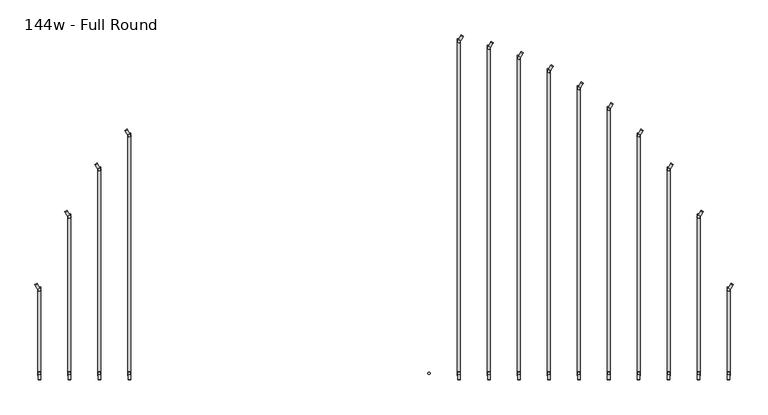
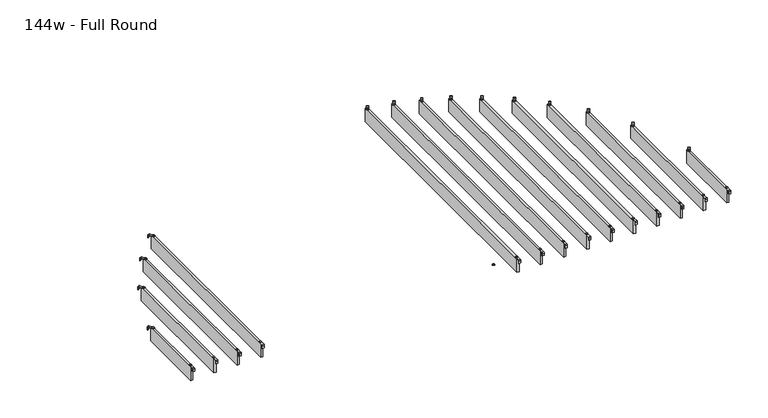
"""IFC4 building model written with IfcOpenShell, lengths in millimetres: furniture geometry, 144w - Full Round."""

from ifc_helpers import new_model, si_unit, point, frame, frame_2d, origin, place, context, project, spatial, polyline, circle_curve, trimmed, segment, composite_curve, outline, extrude, source, transform, mapped, element, save


def furniture_144w_full_round_0b8315b5(model_context):
    return source(origin(), model_context, "Body", "SweptSolid", [
        extrude(outline(composite_curve([segment(trimmed(circle_curve(frame_2d((-1.0160034, 0.0159996)), 1.016), [point((-1.0160034, -1.0000004))], [point((-3.4e-06, 0.0159996))], True, "CARTESIAN"), True, "CONTINUOUS"), segment(polyline([(-3.4e-06, 0.0159996), (-3.4e-06, 36.7785168), (2.5329992, 36.7785168), (2.5329992, 0.022999)]), True, "CONTINUOUS"), segment(trimmed(circle_curve(frame_2d((-1.1500008, 0.022999)), 3.683), [point((2.5329992, 0.022999))], [point((-1.1500008, -3.660001))], False, "CARTESIAN"), True, "CONTINUOUS"), segment(polyline([(-1.1500008, -3.660001), (-19.0498319, -3.660001), (-19.0498319, -1.0000004), (-1.0160034, -1.0000004)]), True, "CONTINUOUS")], self_intersect=False)), frame((-1735.3791648, -1770.5936262, 2438.4), z_axis=(0.8660254037843622, 0.5000000000001326, 0.0), x_axis=(0.0, 0.0, 1.0)), (0.0, 0.0, 1.0), 13.0000002),
        extrude(outline(composite_curve([segment(trimmed(circle_curve(frame_2d((-1714.5, -2218.9346)), 5.9838099), [point((-1714.5, -2212.9507901))], [point((-1714.5, -2224.9184099))], False, "CARTESIAN"), True, "CONTINUOUS"), segment(trimmed(circle_curve(frame_2d((-1714.5, -2218.9346)), 5.9838099), [point((-1714.5, -2224.9184099))], [point((-1714.5, -2212.9507901))], False, "CARTESIAN"), True, "CONTINUOUS")], self_intersect=False)), frame((0.0, 0.0, 2440.9329992), z_axis=(0.0, 0.0, 1.0), x_axis=(1.0, 0.0, 0.0)), (0.0, 0.0, 1.0), 3.4400008),
        extrude(outline(composite_curve([segment(trimmed(circle_curve(frame_2d((-1714.5, -1793.7574)), 5.9838099), [point((-1714.5, -1799.7412099))], [point((-1714.5, -1787.7735901))], False, "CARTESIAN"), True, "CONTINUOUS"), segment(trimmed(circle_curve(frame_2d((-1714.5, -1793.7574)), 5.9838099), [point((-1714.5, -1787.7735901))], [point((-1714.5, -1799.7412099))], False, "CARTESIAN"), True, "CONTINUOUS")], self_intersect=False)), frame((0.0, 0.0, 2440.9329992), z_axis=(0.0, 0.0, 1.0), x_axis=(1.0, 0.0, 0.0)), (0.0, 0.0, 1.0), 3.4400008),
        extrude(outline(composite_curve([segment(polyline([(-2253.0946, 2419.2231711), (-2253.0946, 2437.2499992)]), True, "CONTINUOUS"), segment(trimmed(circle_curve(frame_2d((-2249.4116, 2437.2499992)), 3.683), [point((-2253.0946, 2437.2499992))], [point((-2249.4116, 2440.9329992))], False, "CARTESIAN"), True, "CONTINUOUS"), segment(polyline([(-2249.4116, 2440.9329992), (-2212.4346, 2440.9329992), (-2212.4346, 2438.2729997), (-2249.4251568, 2438.2729997)]), True, "CONTINUOUS"), segment(trimmed(circle_curve(frame_2d((-2249.4251568, 2437.2635571)), 1.0094425), [point((-2249.4251568, 2438.2729997))], [point((-2250.4345993, 2437.2635571))], True, "CARTESIAN"), True, "CONTINUOUS"), segment(polyline([(-2250.4345993, 2437.2635571), (-2250.4345993, 2419.2231711), (-2253.0946, 2419.2231711)]), True, "CONTINUOUS")], self_intersect=False)), frame((-1720.9930003, 0.0, 0.0), z_axis=(1.0, 0.0, 0.0), x_axis=(0.0, 1.0, 0.0)), (0.0, 0.0, 1.0), 13.0),
        extrude(outline(polyline([(-1721.993, -1780.0574), (-1707.007, -1780.0574), (-1707.007, -2232.6346), (-1721.993, -2232.6346), (-1721.993, -1780.0574)])), frame((0.0, 0.0, 2346.198), z_axis=(0.0, 0.0, 1.0), x_axis=(1.0, 0.0, 0.0)), (0.0, 0.0, 1.0), 92.202),
        extrude(outline(composite_curve([segment(trimmed(circle_curve(frame_2d((-1.0160034, 0.0159996)), 1.016), [point((-1.0160034, -1.0000004))], [point((-3.4e-06, 0.0159996))], True, "CARTESIAN"), True, "CONTINUOUS"), segment(polyline([(-3.4e-06, 0.0159996), (-3.4e-06, 36.7785168), (2.5329992, 36.7785168), (2.5329992, 0.022999)]), True, "CONTINUOUS"), segment(trimmed(circle_curve(frame_2d((-1.1500008, 0.022999)), 3.683), [point((2.5329992, 0.022999))], [point((-1.1500008, -3.660001))], False, "CARTESIAN"), True, "CONTINUOUS"), segment(polyline([(-1.1500008, -3.660001), (-19.0498319, -3.660001), (-19.0498319, -1.0000004), (-1.0160034, -1.0000004)]), True, "CONTINUOUS")], self_intersect=False)), frame((-1582.9791648, -1399.1186262, 2438.4), z_axis=(0.8660254037843622, 0.5000000000001326, 0.0), x_axis=(0.0, 0.0, 1.0)), (0.0, 0.0, 1.0), 13.0000002),
        extrude(outline(composite_curve([segment(trimmed(circle_curve(frame_2d((-1562.1, -2218.9346)), 5.9838099), [point((-1562.1, -2212.9507901))], [point((-1562.1, -2224.9184099))], False, "CARTESIAN"), True, "CONTINUOUS"), segment(trimmed(circle_curve(frame_2d((-1562.1, -2218.9346)), 5.9838099), [point((-1562.1, -2224.9184099))], [point((-1562.1, -2212.9507901))], False, "CARTESIAN"), True, "CONTINUOUS")], self_intersect=False)), frame((0.0, 0.0, 2440.9329992), z_axis=(0.0, 0.0, 1.0), x_axis=(1.0, 0.0, 0.0)), (0.0, 0.0, 1.0), 3.4400008),
        extrude(outline(composite_curve([segment(trimmed(circle_curve(frame_2d((-1562.1, -1422.2824)), 5.9838099), [point((-1562.1, -1428.2662099))], [point((-1562.1, -1416.2985901))], False, "CARTESIAN"), True, "CONTINUOUS"), segment(trimmed(circle_curve(frame_2d((-1562.1, -1422.2824)), 5.9838099), [point((-1562.1, -1416.2985901))], [point((-1562.1, -1428.2662099))], False, "CARTESIAN"), True, "CONTINUOUS")], self_intersect=False)), frame((0.0, 0.0, 2440.9329992), z_axis=(0.0, 0.0, 1.0), x_axis=(1.0, 0.0, 0.0)), (0.0, 0.0, 1.0), 3.4400008),
        extrude(outline(composite_curve([segment(polyline([(-2253.0946, 2419.2231711), (-2253.0946, 2437.2499992)]), True, "CONTINUOUS"), segment(trimmed(circle_curve(frame_2d((-2249.4116, 2437.2499992)), 3.683), [point((-2253.0946, 2437.2499992))], [point((-2249.4116, 2440.9329992))], False, "CARTESIAN"), True, "CONTINUOUS"), segment(polyline([(-2249.4116, 2440.9329992), (-2212.4346, 2440.9329992), (-2212.4346, 2438.2729997), (-2249.4251568, 2438.2729997)]), True, "CONTINUOUS"), segment(trimmed(circle_curve(frame_2d((-2249.4251568, 2437.2635571)), 1.0094425), [point((-2249.4251568, 2438.2729997))], [point((-2250.4345993, 2437.2635571))], True, "CARTESIAN"), True, "CONTINUOUS"), segment(polyline([(-2250.4345993, 2437.2635571), (-2250.4345993, 2419.2231711), (-2253.0946, 2419.2231711)]), True, "CONTINUOUS")], self_intersect=False)), frame((-1568.5930003, 0.0, 0.0), z_axis=(1.0, 0.0, 0.0), x_axis=(0.0, 1.0, 0.0)), (0.0, 0.0, 1.0), 13.0),
        extrude(outline(polyline([(-1569.593, -1408.5824), (-1554.607, -1408.5824), (-1554.607, -2232.6346), (-1569.593, -2232.6346), (-1569.593, -1408.5824)])), frame((0.0, 0.0, 2346.198), z_axis=(0.0, 0.0, 1.0), x_axis=(1.0, 0.0, 0.0)), (0.0, 0.0, 1.0), 92.202),
        extrude(outline(composite_curve([segment(trimmed(circle_curve(frame_2d((-1.0160034, 0.0159996)), 1.016), [point((-1.0160034, -1.0000004))], [point((-3.4e-06, 0.0159996))], True, "CARTESIAN"), True, "CONTINUOUS"), segment(polyline([(-3.4e-06, 0.0159996), (-3.4e-06, 36.7785168), (2.5329992, 36.7785168), (2.5329992, 0.022999)]), True, "CONTINUOUS"), segment(trimmed(circle_curve(frame_2d((-1.1500008, 0.022999)), 3.683), [point((2.5329992, 0.022999))], [point((-1.1500008, -3.660001))], False, "CARTESIAN"), True, "CONTINUOUS"), segment(polyline([(-1.1500008, -3.660001), (-19.0498319, -3.660001), (-19.0498319, -1.0000004), (-1.0160034, -1.0000004)]), True, "CONTINUOUS")], self_intersect=False)), frame((-1430.5791648, -1158.6314262, 2438.4), z_axis=(0.8660254037843622, 0.5000000000001326, 0.0), x_axis=(0.0, 0.0, 1.0)), (0.0, 0.0, 1.0), 13.0000002),
        extrude(outline(composite_curve([segment(trimmed(circle_curve(frame_2d((-1409.7, -2218.9346)), 5.9838099), [point((-1409.7, -2212.9507901))], [point((-1409.7, -2224.9184099))], False, "CARTESIAN"), True, "CONTINUOUS"), segment(trimmed(circle_curve(frame_2d((-1409.7, -2218.9346)), 5.9838099), [point((-1409.7, -2224.9184099))], [point((-1409.7, -2212.9507901))], False, "CARTESIAN"), True, "CONTINUOUS")], self_intersect=False)), frame((0.0, 0.0, 2440.9329992), z_axis=(0.0, 0.0, 1.0), x_axis=(1.0, 0.0, 0.0)), (0.0, 0.0, 1.0), 3.4400008),
        extrude(outline(composite_curve([segment(trimmed(circle_curve(frame_2d((-1409.7, -1181.7952)), 5.9838099), [point((-1409.7, -1187.7790099))], [point((-1409.7, -1175.8113901))], False, "CARTESIAN"), True, "CONTINUOUS"), segment(trimmed(circle_curve(frame_2d((-1409.7, -1181.7952)), 5.9838099), [point((-1409.7, -1175.8113901))], [point((-1409.7, -1187.7790099))], False, "CARTESIAN"), True, "CONTINUOUS")], self_intersect=False)), frame((0.0, 0.0, 2440.9329992), z_axis=(0.0, 0.0, 1.0), x_axis=(1.0, 0.0, 0.0)), (0.0, 0.0, 1.0), 3.4400008),
        extrude(outline(composite_curve([segment(polyline([(-2253.0946, 2419.2231711), (-2253.0946, 2437.2499992)]), True, "CONTINUOUS"), segment(trimmed(circle_curve(frame_2d((-2249.4116, 2437.2499992)), 3.683), [point((-2253.0946, 2437.2499992))], [point((-2249.4116, 2440.9329992))], False, "CARTESIAN"), True, "CONTINUOUS"), segment(polyline([(-2249.4116, 2440.9329992), (-2212.4346, 2440.9329992), (-2212.4346, 2438.2729997), (-2249.4251568, 2438.2729997)]), True, "CONTINUOUS"), segment(trimmed(circle_curve(frame_2d((-2249.4251568, 2437.2635571)), 1.0094425), [point((-2249.4251568, 2438.2729997))], [point((-2250.4345993, 2437.2635571))], True, "CARTESIAN"), True, "CONTINUOUS"), segment(polyline([(-2250.4345993, 2437.2635571), (-2250.4345993, 2419.2231711), (-2253.0946, 2419.2231711)]), True, "CONTINUOUS")], self_intersect=False)), frame((-1416.1930003, 0.0, 0.0), z_axis=(1.0, 0.0, 0.0), x_axis=(0.0, 1.0, 0.0)), (0.0, 0.0, 1.0), 13.0),
        extrude(outline(polyline([(-1417.193, -1168.0952), (-1402.207, -1168.0952), (-1402.207, -2232.6346), (-1417.193, -2232.6346), (-1417.193, -1168.0952)])), frame((0.0, 0.0, 2346.198), z_axis=(0.0, 0.0, 1.0), x_axis=(1.0, 0.0, 0.0)), (0.0, 0.0, 1.0), 92.202),
        extrude(outline(composite_curve([segment(trimmed(circle_curve(frame_2d((-1.0160034, 0.0159996)), 1.016), [point((-1.0160034, -1.0000004))], [point((-3.4e-06, 0.0159996))], True, "CARTESIAN"), True, "CONTINUOUS"), segment(polyline([(-3.4e-06, 0.0159996), (-3.4e-06, 36.7785168), (2.5329992, 36.7785168), (2.5329992, 0.022999)]), True, "CONTINUOUS"), segment(trimmed(circle_curve(frame_2d((-1.1500008, 0.022999)), 3.683), [point((2.5329992, 0.022999))], [point((-1.1500008, -3.660001))], False, "CARTESIAN"), True, "CONTINUOUS"), segment(polyline([(-1.1500008, -3.660001), (-19.0498319, -3.660001), (-19.0498319, -1.0000004), (-1.0160034, -1.0000004)]), True, "CONTINUOUS")], self_intersect=False)), frame((-1278.1791648, -985.3272262, 2438.4), z_axis=(0.8660254037843622, 0.5000000000001326, 0.0), x_axis=(0.0, 0.0, 1.0)), (0.0, 0.0, 1.0), 13.0000002),
        extrude(outline(composite_curve([segment(trimmed(circle_curve(frame_2d((-1257.3, -2218.9346)), 5.9838099), [point((-1257.3, -2212.9507901))], [point((-1257.3, -2224.9184099))], False, "CARTESIAN"), True, "CONTINUOUS"), segment(trimmed(circle_curve(frame_2d((-1257.3, -2218.9346)), 5.9838099), [point((-1257.3, -2224.9184099))], [point((-1257.3, -2212.9507901))], False, "CARTESIAN"), True, "CONTINUOUS")], self_intersect=False)), frame((0.0, 0.0, 2440.9329992), z_axis=(0.0, 0.0, 1.0), x_axis=(1.0, 0.0, 0.0)), (0.0, 0.0, 1.0), 3.4400008),
        extrude(outline(composite_curve([segment(trimmed(circle_curve(frame_2d((-1257.3, -1008.491)), 5.9838099), [point((-1257.3, -1014.4748099))], [point((-1257.3, -1002.5071901))], False, "CARTESIAN"), True, "CONTINUOUS"), segment(trimmed(circle_curve(frame_2d((-1257.3, -1008.491)), 5.9838099), [point((-1257.3, -1002.5071901))], [point((-1257.3, -1014.4748099))], False, "CARTESIAN"), True, "CONTINUOUS")], self_intersect=False)), frame((0.0, 0.0, 2440.9329992), z_axis=(0.0, 0.0, 1.0), x_axis=(1.0, 0.0, 0.0)), (0.0, 0.0, 1.0), 3.4400008),
        extrude(outline(composite_curve([segment(polyline([(-2253.0946, 2419.2231711), (-2253.0946, 2437.2499992)]), True, "CONTINUOUS"), segment(trimmed(circle_curve(frame_2d((-2249.4116, 2437.2499992)), 3.683), [point((-2253.0946, 2437.2499992))], [point((-2249.4116, 2440.9329992))], False, "CARTESIAN"), True, "CONTINUOUS"), segment(polyline([(-2249.4116, 2440.9329992), (-2212.4346, 2440.9329992), (-2212.4346, 2438.2729997), (-2249.4251568, 2438.2729997)]), True, "CONTINUOUS"), segment(trimmed(circle_curve(frame_2d((-2249.4251568, 2437.2635571)), 1.0094425), [point((-2249.4251568, 2438.2729997))], [point((-2250.4345993, 2437.2635571))], True, "CARTESIAN"), True, "CONTINUOUS"), segment(polyline([(-2250.4345993, 2437.2635571), (-2250.4345993, 2419.2231711), (-2253.0946, 2419.2231711)]), True, "CONTINUOUS")], self_intersect=False)), frame((-1263.7930003, 0.0, 0.0), z_axis=(1.0, 0.0, 0.0), x_axis=(0.0, 1.0, 0.0)), (0.0, 0.0, 1.0), 13.0),
        extrude(outline(polyline([(-1264.793, -994.791), (-1249.807, -994.791), (-1249.807, -2232.6346), (-1264.793, -2232.6346), (-1264.793, -994.791)])), frame((0.0, 0.0, 2346.198), z_axis=(0.0, 0.0, 1.0), x_axis=(1.0, 0.0, 0.0)), (0.0, 0.0, 1.0), 92.202),
        extrude(outline(composite_curve([segment(polyline([(-1.0160034, 1.0000004), (-19.0498319, 1.0000004), (-19.0498319, 3.660001), (-1.1500008, 3.660001)]), True, "CONTINUOUS"), segment(trimmed(circle_curve(frame_2d((-1.1500008, -0.022999)), 3.683), [point((-1.1500008, 3.660001))], [point((2.5329992, -0.022999))], False, "CARTESIAN"), True, "CONTINUOUS"), segment(polyline([(2.5329992, -0.022999), (2.5329992, -36.7785168), (-3.4e-06, -36.7785168), (-3.4e-06, -0.0159996)]), True, "CONTINUOUS"), segment(trimmed(circle_curve(frame_2d((-1.0160034, -0.0159996)), 1.016), [point((-3.4e-06, -0.0159996))], [point((-1.0160034, 1.0000004))], True, "CARTESIAN"), True, "CONTINUOUS")], self_intersect=False)), frame((1811.5791648, -1770.5936262, 2438.4), z_axis=(-0.8660254037843622, 0.5000000000001326, 0.0), x_axis=(0.0, 0.0, 1.0)), (0.0, 0.0, 1.0), 13.0000002),
        extrude(outline(composite_curve([segment(trimmed(circle_curve(frame_2d((1790.7, -2218.9346)), 5.9838099), [point((1790.7, -2212.9507901))], [point((1790.7, -2224.9184099))], False, "CARTESIAN"), True, "CONTINUOUS"), segment(trimmed(circle_curve(frame_2d((1790.7, -2218.9346)), 5.9838099), [point((1790.7, -2224.9184099))], [point((1790.7, -2212.9507901))], False, "CARTESIAN"), True, "CONTINUOUS")], self_intersect=False)), frame((0.0, 0.0, 2440.9329992), z_axis=(0.0, 0.0, 1.0), x_axis=(1.0, 0.0, 0.0)), (0.0, 0.0, 1.0), 3.4400008),
        extrude(outline(composite_curve([segment(trimmed(circle_curve(frame_2d((1790.7, -1793.7574)), 5.9838099), [point((1790.7, -1799.7412099))], [point((1790.7, -1787.7735901))], False, "CARTESIAN"), True, "CONTINUOUS"), segment(trimmed(circle_curve(frame_2d((1790.7, -1793.7574)), 5.9838099), [point((1790.7, -1787.7735901))], [point((1790.7, -1799.7412099))], False, "CARTESIAN"), True, "CONTINUOUS")], self_intersect=False)), frame((0.0, 0.0, 2440.9329992), z_axis=(0.0, 0.0, 1.0), x_axis=(1.0, 0.0, 0.0)), (0.0, 0.0, 1.0), 3.4400008),
        extrude(outline(composite_curve([segment(polyline([(-2253.0946, 2419.2231711), (-2253.0946, 2437.2499992)]), True, "CONTINUOUS"), segment(trimmed(circle_curve(frame_2d((-2249.4116, 2437.2499992)), 3.683), [point((-2253.0946, 2437.2499992))], [point((-2249.4116, 2440.9329992))], False, "CARTESIAN"), True, "CONTINUOUS"), segment(polyline([(-2249.4116, 2440.9329992), (-2212.4346, 2440.9329992), (-2212.4346, 2438.2729997), (-2249.4251568, 2438.2729997)]), True, "CONTINUOUS"), segment(trimmed(circle_curve(frame_2d((-2249.4251568, 2437.2635571)), 1.0094425), [point((-2249.4251568, 2438.2729997))], [point((-2250.4345993, 2437.2635571))], True, "CARTESIAN"), True, "CONTINUOUS"), segment(polyline([(-2250.4345993, 2437.2635571), (-2250.4345993, 2419.2231711), (-2253.0946, 2419.2231711)]), True, "CONTINUOUS")], self_intersect=False)), frame((1784.1930003, 0.0, 0.0), z_axis=(1.0, 0.0, 0.0), x_axis=(0.0, 1.0, 0.0)), (0.0, 0.0, 1.0), 13.0),
        extrude(outline(polyline([(1798.193, -1780.0574), (1798.193, -2232.6346), (1783.207, -2232.6346), (1783.207, -1780.0574), (1798.193, -1780.0574)])), frame((0.0, 0.0, 2346.198), z_axis=(0.0, 0.0, 1.0), x_axis=(1.0, 0.0, 0.0)), (0.0, 0.0, 1.0), 92.202),
        extrude(outline(composite_curve([segment(polyline([(-1.0160034, 1.0000004), (-19.0498319, 1.0000004), (-19.0498319, 3.660001), (-1.1500008, 3.660001)]), True, "CONTINUOUS"), segment(trimmed(circle_curve(frame_2d((-1.1500008, -0.022999)), 3.683), [point((-1.1500008, 3.660001))], [point((2.5329992, -0.022999))], False, "CARTESIAN"), True, "CONTINUOUS"), segment(polyline([(2.5329992, -0.022999), (2.5329992, -36.7785168), (-3.4e-06, -36.7785168), (-3.4e-06, -0.0159996)]), True, "CONTINUOUS"), segment(trimmed(circle_curve(frame_2d((-1.0160034, -0.0159996)), 1.016), [point((-3.4e-06, -0.0159996))], [point((-1.0160034, 1.0000004))], True, "CARTESIAN"), True, "CONTINUOUS")], self_intersect=False)), frame((1659.1791648, -1399.1186262, 2438.4), z_axis=(-0.8660254037843622, 0.5000000000001326, 0.0), x_axis=(0.0, 0.0, 1.0)), (0.0, 0.0, 1.0), 13.0000002),
        extrude(outline(composite_curve([segment(trimmed(circle_curve(frame_2d((1638.3, -2218.9346)), 5.9838099), [point((1638.3, -2212.9507901))], [point((1638.3, -2224.9184099))], False, "CARTESIAN"), True, "CONTINUOUS"), segment(trimmed(circle_curve(frame_2d((1638.3, -2218.9346)), 5.9838099), [point((1638.3, -2224.9184099))], [point((1638.3, -2212.9507901))], False, "CARTESIAN"), True, "CONTINUOUS")], self_intersect=False)), frame((0.0, 0.0, 2440.9329992), z_axis=(0.0, 0.0, 1.0), x_axis=(1.0, 0.0, 0.0)), (0.0, 0.0, 1.0), 3.4400008),
        extrude(outline(composite_curve([segment(trimmed(circle_curve(frame_2d((1638.3, -1422.2824)), 5.9838099), [point((1638.3, -1428.2662099))], [point((1638.3, -1416.2985901))], False, "CARTESIAN"), True, "CONTINUOUS"), segment(trimmed(circle_curve(frame_2d((1638.3, -1422.2824)), 5.9838099), [point((1638.3, -1416.2985901))], [point((1638.3, -1428.2662099))], False, "CARTESIAN"), True, "CONTINUOUS")], self_intersect=False)), frame((0.0, 0.0, 2440.9329992), z_axis=(0.0, 0.0, 1.0), x_axis=(1.0, 0.0, 0.0)), (0.0, 0.0, 1.0), 3.4400008),
        extrude(outline(composite_curve([segment(polyline([(-2253.0946, 2419.2231711), (-2253.0946, 2437.2499992)]), True, "CONTINUOUS"), segment(trimmed(circle_curve(frame_2d((-2249.4116, 2437.2499992)), 3.683), [point((-2253.0946, 2437.2499992))], [point((-2249.4116, 2440.9329992))], False, "CARTESIAN"), True, "CONTINUOUS"), segment(polyline([(-2249.4116, 2440.9329992), (-2212.4346, 2440.9329992), (-2212.4346, 2438.2729997), (-2249.4251568, 2438.2729997)]), True, "CONTINUOUS"), segment(trimmed(circle_curve(frame_2d((-2249.4251568, 2437.2635571)), 1.0094425), [point((-2249.4251568, 2438.2729997))], [point((-2250.4345993, 2437.2635571))], True, "CARTESIAN"), True, "CONTINUOUS"), segment(polyline([(-2250.4345993, 2437.2635571), (-2250.4345993, 2419.2231711), (-2253.0946, 2419.2231711)]), True, "CONTINUOUS")], self_intersect=False)), frame((1631.7930003, 0.0, 0.0), z_axis=(1.0, 0.0, 0.0), x_axis=(0.0, 1.0, 0.0)), (0.0, 0.0, 1.0), 13.0),
        extrude(outline(polyline([(1645.793, -1408.5824), (1645.793, -2232.6346), (1630.807, -2232.6346), (1630.807, -1408.5824), (1645.793, -1408.5824)])), frame((0.0, 0.0, 2346.198), z_axis=(0.0, 0.0, 1.0), x_axis=(1.0, 0.0, 0.0)), (0.0, 0.0, 1.0), 92.202),
        extrude(outline(composite_curve([segment(polyline([(-1.0160034, 1.0000004), (-19.0498319, 1.0000004), (-19.0498319, 3.660001), (-1.1500008, 3.660001)]), True, "CONTINUOUS"), segment(trimmed(circle_curve(frame_2d((-1.1500008, -0.022999)), 3.683), [point((-1.1500008, 3.660001))], [point((2.5329992, -0.022999))], False, "CARTESIAN"), True, "CONTINUOUS"), segment(polyline([(2.5329992, -0.022999), (2.5329992, -36.7785168), (-3.4e-06, -36.7785168), (-3.4e-06, -0.0159996)]), True, "CONTINUOUS"), segment(trimmed(circle_curve(frame_2d((-1.0160034, -0.0159996)), 1.016), [point((-3.4e-06, -0.0159996))], [point((-1.0160034, 1.0000004))], True, "CARTESIAN"), True, "CONTINUOUS")], self_intersect=False)), frame((1506.7791648, -1158.6314262, 2438.4), z_axis=(-0.8660254037843622, 0.5000000000001326, 0.0), x_axis=(0.0, 0.0, 1.0)), (0.0, 0.0, 1.0), 13.0000002),
        extrude(outline(composite_curve([segment(trimmed(circle_curve(frame_2d((1485.9, -2218.9346)), 5.9838099), [point((1485.9, -2212.9507901))], [point((1485.9, -2224.9184099))], False, "CARTESIAN"), True, "CONTINUOUS"), segment(trimmed(circle_curve(frame_2d((1485.9, -2218.9346)), 5.9838099), [point((1485.9, -2224.9184099))], [point((1485.9, -2212.9507901))], False, "CARTESIAN"), True, "CONTINUOUS")], self_intersect=False)), frame((0.0, 0.0, 2440.9329992), z_axis=(0.0, 0.0, 1.0), x_axis=(1.0, 0.0, 0.0)), (0.0, 0.0, 1.0), 3.4400008),
        extrude(outline(composite_curve([segment(trimmed(circle_curve(frame_2d((1485.9, -1181.7952)), 5.9838099), [point((1485.9, -1187.7790099))], [point((1485.9, -1175.8113901))], False, "CARTESIAN"), True, "CONTINUOUS"), segment(trimmed(circle_curve(frame_2d((1485.9, -1181.7952)), 5.9838099), [point((1485.9, -1175.8113901))], [point((1485.9, -1187.7790099))], False, "CARTESIAN"), True, "CONTINUOUS")], self_intersect=False)), frame((0.0, 0.0, 2440.9329992), z_axis=(0.0, 0.0, 1.0), x_axis=(1.0, 0.0, 0.0)), (0.0, 0.0, 1.0), 3.4400008),
        extrude(outline(composite_curve([segment(polyline([(-2253.0946, 2419.2231711), (-2253.0946, 2437.2499992)]), True, "CONTINUOUS"), segment(trimmed(circle_curve(frame_2d((-2249.4116, 2437.2499992)), 3.683), [point((-2253.0946, 2437.2499992))], [point((-2249.4116, 2440.9329992))], False, "CARTESIAN"), True, "CONTINUOUS"), segment(polyline([(-2249.4116, 2440.9329992), (-2212.4346, 2440.9329992), (-2212.4346, 2438.2729997), (-2249.4251568, 2438.2729997)]), True, "CONTINUOUS"), segment(trimmed(circle_curve(frame_2d((-2249.4251568, 2437.2635571)), 1.0094425), [point((-2249.4251568, 2438.2729997))], [point((-2250.4345993, 2437.2635571))], True, "CARTESIAN"), True, "CONTINUOUS"), segment(polyline([(-2250.4345993, 2437.2635571), (-2250.4345993, 2419.2231711), (-2253.0946, 2419.2231711)]), True, "CONTINUOUS")], self_intersect=False)), frame((1479.3930003, 0.0, 0.0), z_axis=(1.0, 0.0, 0.0), x_axis=(0.0, 1.0, 0.0)), (0.0, 0.0, 1.0), 13.0),
        extrude(outline(polyline([(1493.393, -1168.0952), (1493.393, -2232.6346), (1478.407, -2232.6346), (1478.407, -1168.0952), (1493.393, -1168.0952)])), frame((0.0, 0.0, 2346.198), z_axis=(0.0, 0.0, 1.0), x_axis=(1.0, 0.0, 0.0)), (0.0, 0.0, 1.0), 92.202),
        extrude(outline(composite_curve([segment(polyline([(-1.0160034, 1.0000004), (-19.0498319, 1.0000004), (-19.0498319, 3.660001), (-1.1500008, 3.660001)]), True, "CONTINUOUS"), segment(trimmed(circle_curve(frame_2d((-1.1500008, -0.022999)), 3.683), [point((-1.1500008, 3.660001))], [point((2.5329992, -0.022999))], False, "CARTESIAN"), True, "CONTINUOUS"), segment(polyline([(2.5329992, -0.022999), (2.5329992, -36.7785168), (-3.4e-06, -36.7785168), (-3.4e-06, -0.0159996)]), True, "CONTINUOUS"), segment(trimmed(circle_curve(frame_2d((-1.0160034, -0.0159996)), 1.016), [point((-3.4e-06, -0.0159996))], [point((-1.0160034, 1.0000004))], True, "CARTESIAN"), True, "CONTINUOUS")], self_intersect=False)), frame((1354.3791648, -985.3272262, 2438.4), z_axis=(-0.8660254037843622, 0.5000000000001326, 0.0), x_axis=(0.0, 0.0, 1.0)), (0.0, 0.0, 1.0), 13.0000002),
        extrude(outline(composite_curve([segment(trimmed(circle_curve(frame_2d((1333.5, -2218.9346)), 5.9838099), [point((1333.5, -2212.9507901))], [point((1333.5, -2224.9184099))], False, "CARTESIAN"), True, "CONTINUOUS"), segment(trimmed(circle_curve(frame_2d((1333.5, -2218.9346)), 5.9838099), [point((1333.5, -2224.9184099))], [point((1333.5, -2212.9507901))], False, "CARTESIAN"), True, "CONTINUOUS")], self_intersect=False)), frame((0.0, 0.0, 2440.9329992), z_axis=(0.0, 0.0, 1.0), x_axis=(1.0, 0.0, 0.0)), (0.0, 0.0, 1.0), 3.4400008),
        extrude(outline(composite_curve([segment(trimmed(circle_curve(frame_2d((1333.5, -1008.491)), 5.9838099), [point((1333.5, -1014.4748099))], [point((1333.5, -1002.5071901))], False, "CARTESIAN"), True, "CONTINUOUS"), segment(trimmed(circle_curve(frame_2d((1333.5, -1008.491)), 5.9838099), [point((1333.5, -1002.5071901))], [point((1333.5, -1014.4748099))], False, "CARTESIAN"), True, "CONTINUOUS")], self_intersect=False)), frame((0.0, 0.0, 2440.9329992), z_axis=(0.0, 0.0, 1.0), x_axis=(1.0, 0.0, 0.0)), (0.0, 0.0, 1.0), 3.4400008),
        extrude(outline(composite_curve([segment(polyline([(-2253.0946, 2419.2231711), (-2253.0946, 2437.2499992)]), True, "CONTINUOUS"), segment(trimmed(circle_curve(frame_2d((-2249.4116, 2437.2499992)), 3.683), [point((-2253.0946, 2437.2499992))], [point((-2249.4116, 2440.9329992))], False, "CARTESIAN"), True, "CONTINUOUS"), segment(polyline([(-2249.4116, 2440.9329992), (-2212.4346, 2440.9329992), (-2212.4346, 2438.2729997), (-2249.4251568, 2438.2729997)]), True, "CONTINUOUS"), segment(trimmed(circle_curve(frame_2d((-2249.4251568, 2437.2635571)), 1.0094425), [point((-2249.4251568, 2438.2729997))], [point((-2250.4345993, 2437.2635571))], True, "CARTESIAN"), True, "CONTINUOUS"), segment(polyline([(-2250.4345993, 2437.2635571), (-2250.4345993, 2419.2231711), (-2253.0946, 2419.2231711)]), True, "CONTINUOUS")], self_intersect=False)), frame((1326.9930003, 0.0, 0.0), z_axis=(1.0, 0.0, 0.0), x_axis=(0.0, 1.0, 0.0)), (0.0, 0.0, 1.0), 13.0),
        extrude(outline(polyline([(1340.993, -994.791), (1340.993, -2232.6346), (1326.007, -2232.6346), (1326.007, -994.791), (1340.993, -994.791)])), frame((0.0, 0.0, 2346.198), z_axis=(0.0, 0.0, 1.0), x_axis=(1.0, 0.0, 0.0)), (0.0, 0.0, 1.0), 92.202),
        extrude(outline(composite_curve([segment(polyline([(-1.0160034, 1.0000004), (-19.0498319, 1.0000004), (-19.0498319, 3.660001), (-1.1500008, 3.660001)]), True, "CONTINUOUS"), segment(trimmed(circle_curve(frame_2d((-1.1500008, -0.022999)), 3.683), [point((-1.1500008, 3.660001))], [point((2.5329992, -0.022999))], False, "CARTESIAN"), True, "CONTINUOUS"), segment(polyline([(2.5329992, -0.022999), (2.5329992, -36.7785168), (-3.4e-06, -36.7785168), (-3.4e-06, -0.0159996)]), True, "CONTINUOUS"), segment(trimmed(circle_curve(frame_2d((-1.0160034, -0.0159996)), 1.016), [point((-3.4e-06, -0.0159996))], [point((-1.0160034, 1.0000004))], True, "CARTESIAN"), True, "CONTINUOUS")], self_intersect=False)), frame((1201.9791648, -850.6564262, 2438.4), z_axis=(-0.8660254037843622, 0.5000000000001326, 0.0), x_axis=(0.0, 0.0, 1.0)), (0.0, 0.0, 1.0), 13.0000002),
        extrude(outline(composite_curve([segment(trimmed(circle_curve(frame_2d((1181.1, -2218.9346)), 5.9838099), [point((1181.1, -2212.9507901))], [point((1181.1, -2224.9184099))], False, "CARTESIAN"), True, "CONTINUOUS"), segment(trimmed(circle_curve(frame_2d((1181.1, -2218.9346)), 5.9838099), [point((1181.1, -2224.9184099))], [point((1181.1, -2212.9507901))], False, "CARTESIAN"), True, "CONTINUOUS")], self_intersect=False)), frame((0.0, 0.0, 2440.9329992), z_axis=(0.0, 0.0, 1.0), x_axis=(1.0, 0.0, 0.0)), (0.0, 0.0, 1.0), 3.4400008),
        extrude(outline(composite_curve([segment(trimmed(circle_curve(frame_2d((1181.1, -873.8202)), 5.9838099), [point((1181.1, -879.8040099))], [point((1181.1, -867.8363901))], False, "CARTESIAN"), True, "CONTINUOUS"), segment(trimmed(circle_curve(frame_2d((1181.1, -873.8202)), 5.9838099), [point((1181.1, -867.8363901))], [point((1181.1, -879.8040099))], False, "CARTESIAN"), True, "CONTINUOUS")], self_intersect=False)), frame((0.0, 0.0, 2440.9329992), z_axis=(0.0, 0.0, 1.0), x_axis=(1.0, 0.0, 0.0)), (0.0, 0.0, 1.0), 3.4400008),
        extrude(outline(composite_curve([segment(polyline([(-2253.0946, 2419.2231711), (-2253.0946, 2437.2499992)]), True, "CONTINUOUS"), segment(trimmed(circle_curve(frame_2d((-2249.4116, 2437.2499992)), 3.683), [point((-2253.0946, 2437.2499992))], [point((-2249.4116, 2440.9329992))], False, "CARTESIAN"), True, "CONTINUOUS"), segment(polyline([(-2249.4116, 2440.9329992), (-2212.4346, 2440.9329992), (-2212.4346, 2438.2729997), (-2249.4251568, 2438.2729997)]), True, "CONTINUOUS"), segment(trimmed(circle_curve(frame_2d((-2249.4251568, 2437.2635571)), 1.0094425), [point((-2249.4251568, 2438.2729997))], [point((-2250.4345993, 2437.2635571))], True, "CARTESIAN"), True, "CONTINUOUS"), segment(polyline([(-2250.4345993, 2437.2635571), (-2250.4345993, 2419.2231711), (-2253.0946, 2419.2231711)]), True, "CONTINUOUS")], self_intersect=False)), frame((1174.5930003, 0.0, 0.0), z_axis=(1.0, 0.0, 0.0), x_axis=(0.0, 1.0, 0.0)), (0.0, 0.0, 1.0), 13.0),
        extrude(outline(polyline([(1188.593, -860.1202), (1188.593, -2232.6346), (1173.607, -2232.6346), (1173.607, -860.1202), (1188.593, -860.1202)])), frame((0.0, 0.0, 2346.198), z_axis=(0.0, 0.0, 1.0), x_axis=(1.0, 0.0, 0.0)), (0.0, 0.0, 1.0), 92.202),
        extrude(outline(composite_curve([segment(polyline([(-1.0160034, 1.0000004), (-19.0498319, 1.0000004), (-19.0498319, 3.660001), (-1.1500008, 3.660001)]), True, "CONTINUOUS"), segment(trimmed(circle_curve(frame_2d((-1.1500008, -0.022999)), 3.683), [point((-1.1500008, 3.660001))], [point((2.5329992, -0.022999))], False, "CARTESIAN"), True, "CONTINUOUS"), segment(polyline([(2.5329992, -0.022999), (2.5329992, -36.7785168), (-3.4e-06, -36.7785168), (-3.4e-06, -0.0159996)]), True, "CONTINUOUS"), segment(trimmed(circle_curve(frame_2d((-1.0160034, -0.0159996)), 1.016), [point((-3.4e-06, -0.0159996))], [point((-1.0160034, 1.0000004))], True, "CARTESIAN"), True, "CONTINUOUS")], self_intersect=False)), frame((1049.5791648, -744.8400262, 2438.4), z_axis=(-0.8660254037843622, 0.5000000000001326, 0.0), x_axis=(0.0, 0.0, 1.0)), (0.0, 0.0, 1.0), 13.0000002),
        extrude(outline(composite_curve([segment(trimmed(circle_curve(frame_2d((1028.7, -2218.9346)), 5.9838099), [point((1028.7, -2212.9507901))], [point((1028.7, -2224.9184099))], False, "CARTESIAN"), True, "CONTINUOUS"), segment(trimmed(circle_curve(frame_2d((1028.7, -2218.9346)), 5.9838099), [point((1028.7, -2224.9184099))], [point((1028.7, -2212.9507901))], False, "CARTESIAN"), True, "CONTINUOUS")], self_intersect=False)), frame((0.0, 0.0, 2440.9329992), z_axis=(0.0, 0.0, 1.0), x_axis=(1.0, 0.0, 0.0)), (0.0, 0.0, 1.0), 3.4400008),
        extrude(outline(composite_curve([segment(trimmed(circle_curve(frame_2d((1028.7, -768.0038)), 5.9838099), [point((1028.7, -773.9876099))], [point((1028.7, -762.0199901))], False, "CARTESIAN"), True, "CONTINUOUS"), segment(trimmed(circle_curve(frame_2d((1028.7, -768.0038)), 5.9838099), [point((1028.7, -762.0199901))], [point((1028.7, -773.9876099))], False, "CARTESIAN"), True, "CONTINUOUS")], self_intersect=False)), frame((0.0, 0.0, 2440.9329992), z_axis=(0.0, 0.0, 1.0), x_axis=(1.0, 0.0, 0.0)), (0.0, 0.0, 1.0), 3.4400008),
        extrude(outline(composite_curve([segment(polyline([(-2253.0946, 2419.2231711), (-2253.0946, 2437.2499992)]), True, "CONTINUOUS"), segment(trimmed(circle_curve(frame_2d((-2249.4116, 2437.2499992)), 3.683), [point((-2253.0946, 2437.2499992))], [point((-2249.4116, 2440.9329992))], False, "CARTESIAN"), True, "CONTINUOUS"), segment(polyline([(-2249.4116, 2440.9329992), (-2212.4346, 2440.9329992), (-2212.4346, 2438.2729997), (-2249.4251568, 2438.2729997)]), True, "CONTINUOUS"), segment(trimmed(circle_curve(frame_2d((-2249.4251568, 2437.2635571)), 1.0094425), [point((-2249.4251568, 2438.2729997))], [point((-2250.4345993, 2437.2635571))], True, "CARTESIAN"), True, "CONTINUOUS"), segment(polyline([(-2250.4345993, 2437.2635571), (-2250.4345993, 2419.2231711), (-2253.0946, 2419.2231711)]), True, "CONTINUOUS")], self_intersect=False)), frame((1022.1930003, 0.0, 0.0), z_axis=(1.0, 0.0, 0.0), x_axis=(0.0, 1.0, 0.0)), (0.0, 0.0, 1.0), 13.0),
        extrude(outline(polyline([(1036.193, -754.3038), (1036.193, -2232.6346), (1021.207, -2232.6346), (1021.207, -754.3038), (1036.193, -754.3038)])), frame((0.0, 0.0, 2346.198), z_axis=(0.0, 0.0, 1.0), x_axis=(1.0, 0.0, 0.0)), (0.0, 0.0, 1.0), 92.202),
        extrude(outline(composite_curve([segment(polyline([(-1.0160034, 1.0000004), (-19.0498319, 1.0000004), (-19.0498319, 3.660001), (-1.1500008, 3.660001)]), True, "CONTINUOUS"), segment(trimmed(circle_curve(frame_2d((-1.1500008, -0.022999)), 3.683), [point((-1.1500008, 3.660001))], [point((2.5329992, -0.022999))], False, "CARTESIAN"), True, "CONTINUOUS"), segment(polyline([(2.5329992, -0.022999), (2.5329992, -36.7785168), (-3.4e-06, -36.7785168), (-3.4e-06, -0.0159996)]), True, "CONTINUOUS"), segment(trimmed(circle_curve(frame_2d((-1.0160034, -0.0159996)), 1.016), [point((-3.4e-06, -0.0159996))], [point((-1.0160034, 1.0000004))], True, "CARTESIAN"), True, "CONTINUOUS")], self_intersect=False)), frame((897.1791648, -657.9466262, 2438.4), z_axis=(-0.8660254037843622, 0.5000000000001326, 0.0), x_axis=(0.0, 0.0, 1.0)), (0.0, 0.0, 1.0), 13.0000002),
        extrude(outline(composite_curve([segment(trimmed(circle_curve(frame_2d((876.3, -2218.9346)), 5.9838099), [point((876.3, -2212.9507901))], [point((876.3, -2224.9184099))], False, "CARTESIAN"), True, "CONTINUOUS"), segment(trimmed(circle_curve(frame_2d((876.3, -2218.9346)), 5.9838099), [point((876.3, -2224.9184099))], [point((876.3, -2212.9507901))], False, "CARTESIAN"), True, "CONTINUOUS")], self_intersect=False)), frame((0.0, 0.0, 2440.9329992), z_axis=(0.0, 0.0, 1.0), x_axis=(1.0, 0.0, 0.0)), (0.0, 0.0, 1.0), 3.4400008),
        extrude(outline(composite_curve([segment(trimmed(circle_curve(frame_2d((876.3, -681.1104)), 5.9838099), [point((876.3, -687.0942099))], [point((876.3, -675.1265901))], False, "CARTESIAN"), True, "CONTINUOUS"), segment(trimmed(circle_curve(frame_2d((876.3, -681.1104)), 5.9838099), [point((876.3, -675.1265901))], [point((876.3, -687.0942099))], False, "CARTESIAN"), True, "CONTINUOUS")], self_intersect=False)), frame((0.0, 0.0, 2440.9329992), z_axis=(0.0, 0.0, 1.0), x_axis=(1.0, 0.0, 0.0)), (0.0, 0.0, 1.0), 3.4400008),
        extrude(outline(composite_curve([segment(polyline([(-2253.0946, 2419.2231711), (-2253.0946, 2437.2499992)]), True, "CONTINUOUS"), segment(trimmed(circle_curve(frame_2d((-2249.4116, 2437.2499992)), 3.683), [point((-2253.0946, 2437.2499992))], [point((-2249.4116, 2440.9329992))], False, "CARTESIAN"), True, "CONTINUOUS"), segment(polyline([(-2249.4116, 2440.9329992), (-2212.4346, 2440.9329992), (-2212.4346, 2438.2729997), (-2249.4251568, 2438.2729997)]), True, "CONTINUOUS"), segment(trimmed(circle_curve(frame_2d((-2249.4251568, 2437.2635571)), 1.0094425), [point((-2249.4251568, 2438.2729997))], [point((-2250.4345993, 2437.2635571))], True, "CARTESIAN"), True, "CONTINUOUS"), segment(polyline([(-2250.4345993, 2437.2635571), (-2250.4345993, 2419.2231711), (-2253.0946, 2419.2231711)]), True, "CONTINUOUS")], self_intersect=False)), frame((869.7930003, 0.0, 0.0), z_axis=(1.0, 0.0, 0.0), x_axis=(0.0, 1.0, 0.0)), (0.0, 0.0, 1.0), 13.0),
        extrude(outline(polyline([(883.793, -667.4104), (883.793, -2232.6346), (868.807, -2232.6346), (868.807, -667.4104), (883.793, -667.4104)])), frame((0.0, 0.0, 2346.198), z_axis=(0.0, 0.0, 1.0), x_axis=(1.0, 0.0, 0.0)), (0.0, 0.0, 1.0), 92.202),
        extrude(outline(composite_curve([segment(polyline([(-1.0160034, 1.0000004), (-19.0498319, 1.0000004), (-19.0498319, 3.660001), (-1.1500008, 3.660001)]), True, "CONTINUOUS"), segment(trimmed(circle_curve(frame_2d((-1.1500008, -0.022999)), 3.683), [point((-1.1500008, 3.660001))], [point((2.5329992, -0.022999))], False, "CARTESIAN"), True, "CONTINUOUS"), segment(polyline([(2.5329992, -0.022999), (2.5329992, -36.7785168), (-3.4e-06, -36.7785168), (-3.4e-06, -0.0159996)]), True, "CONTINUOUS"), segment(trimmed(circle_curve(frame_2d((-1.0160034, -0.0159996)), 1.016), [point((-3.4e-06, -0.0159996))], [point((-1.0160034, 1.0000004))], True, "CARTESIAN"), True, "CONTINUOUS")], self_intersect=False)), frame((744.7791648, -590.7890262, 2438.4), z_axis=(-0.8660254037843622, 0.5000000000001326, 0.0), x_axis=(0.0, 0.0, 1.0)), (0.0, 0.0, 1.0), 13.0000002),
        extrude(outline(composite_curve([segment(trimmed(circle_curve(frame_2d((723.9, -2218.9346)), 5.9838099), [point((723.9, -2212.9507901))], [point((723.9, -2224.9184099))], False, "CARTESIAN"), True, "CONTINUOUS"), segment(trimmed(circle_curve(frame_2d((723.9, -2218.9346)), 5.9838099), [point((723.9, -2224.9184099))], [point((723.9, -2212.9507901))], False, "CARTESIAN"), True, "CONTINUOUS")], self_intersect=False)), frame((0.0, 0.0, 2440.9329992), z_axis=(0.0, 0.0, 1.0), x_axis=(1.0, 0.0, 0.0)), (0.0, 0.0, 1.0), 3.4400008),
        extrude(outline(composite_curve([segment(trimmed(circle_curve(frame_2d((723.9, -613.9528)), 5.9838099), [point((723.9, -619.9366099))], [point((723.9, -607.9689901))], False, "CARTESIAN"), True, "CONTINUOUS"), segment(trimmed(circle_curve(frame_2d((723.9, -613.9528)), 5.9838099), [point((723.9, -607.9689901))], [point((723.9, -619.9366099))], False, "CARTESIAN"), True, "CONTINUOUS")], self_intersect=False)), frame((0.0, 0.0, 2440.9329992), z_axis=(0.0, 0.0, 1.0), x_axis=(1.0, 0.0, 0.0)), (0.0, 0.0, 1.0), 3.4400008),
        extrude(outline(composite_curve([segment(polyline([(-2253.0946, 2419.2231711), (-2253.0946, 2437.2499992)]), True, "CONTINUOUS"), segment(trimmed(circle_curve(frame_2d((-2249.4116, 2437.2499992)), 3.683), [point((-2253.0946, 2437.2499992))], [point((-2249.4116, 2440.9329992))], False, "CARTESIAN"), True, "CONTINUOUS"), segment(polyline([(-2249.4116, 2440.9329992), (-2212.4346, 2440.9329992), (-2212.4346, 2438.2729997), (-2249.4251568, 2438.2729997)]), True, "CONTINUOUS"), segment(trimmed(circle_curve(frame_2d((-2249.4251568, 2437.2635571)), 1.0094425), [point((-2249.4251568, 2438.2729997))], [point((-2250.4345993, 2437.2635571))], True, "CARTESIAN"), True, "CONTINUOUS"), segment(polyline([(-2250.4345993, 2437.2635571), (-2250.4345993, 2419.2231711), (-2253.0946, 2419.2231711)]), True, "CONTINUOUS")], self_intersect=False)), frame((717.3930003, 0.0, 0.0), z_axis=(1.0, 0.0, 0.0), x_axis=(0.0, 1.0, 0.0)), (0.0, 0.0, 1.0), 13.0),
        extrude(outline(polyline([(731.393, -600.2528), (731.393, -2232.6346), (716.407, -2232.6346), (716.407, -600.2528), (731.393, -600.2528)])), frame((0.0, 0.0, 2346.198), z_axis=(0.0, 0.0, 1.0), x_axis=(1.0, 0.0, 0.0)), (0.0, 0.0, 1.0), 92.202),
        extrude(outline(composite_curve([segment(polyline([(-1.0160034, 1.0000004), (-19.0498319, 1.0000004), (-19.0498319, 3.660001), (-1.1500008, 3.660001)]), True, "CONTINUOUS"), segment(trimmed(circle_curve(frame_2d((-1.1500008, -0.022999)), 3.683), [point((-1.1500008, 3.660001))], [point((2.5329992, -0.022999))], False, "CARTESIAN"), True, "CONTINUOUS"), segment(polyline([(2.5329992, -0.022999), (2.5329992, -36.7785168), (-3.4e-06, -36.7785168), (-3.4e-06, -0.0159996)]), True, "CONTINUOUS"), segment(trimmed(circle_curve(frame_2d((-1.0160034, -0.0159996)), 1.016), [point((-3.4e-06, -0.0159996))], [point((-1.0160034, 1.0000004))], True, "CARTESIAN"), True, "CONTINUOUS")], self_intersect=False)), frame((592.3791648, -539.4048262, 2438.4), z_axis=(-0.8660254037843622, 0.5000000000001326, 0.0), x_axis=(0.0, 0.0, 1.0)), (0.0, 0.0, 1.0), 13.0000002),
        extrude(outline(composite_curve([segment(trimmed(circle_curve(frame_2d((571.5, -2218.9346)), 5.9838099), [point((571.5, -2212.9507901))], [point((571.5, -2224.9184099))], False, "CARTESIAN"), True, "CONTINUOUS"), segment(trimmed(circle_curve(frame_2d((571.5, -2218.9346)), 5.9838099), [point((571.5, -2224.9184099))], [point((571.5, -2212.9507901))], False, "CARTESIAN"), True, "CONTINUOUS")], self_intersect=False)), frame((0.0, 0.0, 2440.9329992), z_axis=(0.0, 0.0, 1.0), x_axis=(1.0, 0.0, 0.0)), (0.0, 0.0, 1.0), 3.4400008),
        extrude(outline(composite_curve([segment(trimmed(circle_curve(frame_2d((571.5, -562.5686)), 5.9838099), [point((571.5, -568.5524099))], [point((571.5, -556.5847901))], False, "CARTESIAN"), True, "CONTINUOUS"), segment(trimmed(circle_curve(frame_2d((571.5, -562.5686)), 5.9838099), [point((571.5, -556.5847901))], [point((571.5, -568.5524099))], False, "CARTESIAN"), True, "CONTINUOUS")], self_intersect=False)), frame((0.0, 0.0, 2440.9329992), z_axis=(0.0, 0.0, 1.0), x_axis=(1.0, 0.0, 0.0)), (0.0, 0.0, 1.0), 3.4400008),
        extrude(outline(composite_curve([segment(polyline([(-2253.0946, 2419.2231711), (-2253.0946, 2437.2499992)]), True, "CONTINUOUS"), segment(trimmed(circle_curve(frame_2d((-2249.4116, 2437.2499992)), 3.683), [point((-2253.0946, 2437.2499992))], [point((-2249.4116, 2440.9329992))], False, "CARTESIAN"), True, "CONTINUOUS"), segment(polyline([(-2249.4116, 2440.9329992), (-2212.4346, 2440.9329992), (-2212.4346, 2438.2729997), (-2249.4251568, 2438.2729997)]), True, "CONTINUOUS"), segment(trimmed(circle_curve(frame_2d((-2249.4251568, 2437.2635571)), 1.0094425), [point((-2249.4251568, 2438.2729997))], [point((-2250.4345993, 2437.2635571))], True, "CARTESIAN"), True, "CONTINUOUS"), segment(polyline([(-2250.4345993, 2437.2635571), (-2250.4345993, 2419.2231711), (-2253.0946, 2419.2231711)]), True, "CONTINUOUS")], self_intersect=False)), frame((564.9930003, 0.0, 0.0), z_axis=(1.0, 0.0, 0.0), x_axis=(0.0, 1.0, 0.0)), (0.0, 0.0, 1.0), 13.0),
        extrude(outline(polyline([(578.993, -548.8686), (578.993, -2232.6346), (564.007, -2232.6346), (564.007, -548.8686), (578.993, -548.8686)])), frame((0.0, 0.0, 2346.198), z_axis=(0.0, 0.0, 1.0), x_axis=(1.0, 0.0, 0.0)), (0.0, 0.0, 1.0), 92.202),
        extrude(outline(composite_curve([segment(polyline([(-1.0160034, 1.0000004), (-19.0498319, 1.0000004), (-19.0498319, 3.660001), (-1.1500008, 3.660001)]), True, "CONTINUOUS"), segment(trimmed(circle_curve(frame_2d((-1.1500008, -0.022999)), 3.683), [point((-1.1500008, 3.660001))], [point((2.5329992, -0.022999))], False, "CARTESIAN"), True, "CONTINUOUS"), segment(polyline([(2.5329992, -0.022999), (2.5329992, -36.7785168), (-3.4e-06, -36.7785168), (-3.4e-06, -0.0159996)]), True, "CONTINUOUS"), segment(trimmed(circle_curve(frame_2d((-1.0160034, -0.0159996)), 1.016), [point((-3.4e-06, -0.0159996))], [point((-1.0160034, 1.0000004))], True, "CARTESIAN"), True, "CONTINUOUS")], self_intersect=False)), frame((439.9791648, -505.5720262, 2438.4), z_axis=(-0.8660254037843622, 0.5000000000001326, 0.0), x_axis=(0.0, 0.0, 1.0)), (0.0, 0.0, 1.0), 13.0000002),
        extrude(outline(composite_curve([segment(trimmed(circle_curve(frame_2d((419.1, -2218.9346)), 5.9838099), [point((419.1, -2212.9507901))], [point((419.1, -2224.9184099))], False, "CARTESIAN"), True, "CONTINUOUS"), segment(trimmed(circle_curve(frame_2d((419.1, -2218.9346)), 5.9838099), [point((419.1, -2224.9184099))], [point((419.1, -2212.9507901))], False, "CARTESIAN"), True, "CONTINUOUS")], self_intersect=False)), frame((0.0, 0.0, 2440.9329992), z_axis=(0.0, 0.0, 1.0), x_axis=(1.0, 0.0, 0.0)), (0.0, 0.0, 1.0), 3.4400008),
        extrude(outline(composite_curve([segment(trimmed(circle_curve(frame_2d((419.1, -528.7358)), 5.9838099), [point((419.1, -534.7196099))], [point((419.1, -522.7519901))], False, "CARTESIAN"), True, "CONTINUOUS"), segment(trimmed(circle_curve(frame_2d((419.1, -528.7358)), 5.9838099), [point((419.1, -522.7519901))], [point((419.1, -534.7196099))], False, "CARTESIAN"), True, "CONTINUOUS")], self_intersect=False)), frame((0.0, 0.0, 2440.9329992), z_axis=(0.0, 0.0, 1.0), x_axis=(1.0, 0.0, 0.0)), (0.0, 0.0, 1.0), 3.4400008),
        extrude(outline(composite_curve([segment(polyline([(-2253.0946, 2419.2231711), (-2253.0946, 2437.2499992)]), True, "CONTINUOUS"), segment(trimmed(circle_curve(frame_2d((-2249.4116, 2437.2499992)), 3.683), [point((-2253.0946, 2437.2499992))], [point((-2249.4116, 2440.9329992))], False, "CARTESIAN"), True, "CONTINUOUS"), segment(polyline([(-2249.4116, 2440.9329992), (-2212.4346, 2440.9329992), (-2212.4346, 2438.2729997), (-2249.4251568, 2438.2729997)]), True, "CONTINUOUS"), segment(trimmed(circle_curve(frame_2d((-2249.4251568, 2437.2635571)), 1.0094425), [point((-2249.4251568, 2438.2729997))], [point((-2250.4345993, 2437.2635571))], True, "CARTESIAN"), True, "CONTINUOUS"), segment(polyline([(-2250.4345993, 2437.2635571), (-2250.4345993, 2419.2231711), (-2253.0946, 2419.2231711)]), True, "CONTINUOUS")], self_intersect=False)), frame((412.5930003, 0.0, 0.0), z_axis=(1.0, 0.0, 0.0), x_axis=(0.0, 1.0, 0.0)), (0.0, 0.0, 1.0), 13.0),
        extrude(outline(polyline([(426.593, -515.0358), (426.593, -2232.6346), (411.607, -2232.6346), (411.607, -515.0358), (426.593, -515.0358)])), frame((0.0, 0.0, 2346.198), z_axis=(0.0, 0.0, 1.0), x_axis=(1.0, 0.0, 0.0)), (0.0, 0.0, 1.0), 92.202),
        extrude(outline(composite_curve([segment(trimmed(circle_curve(frame_2d((266.7, -2218.9346)), 5.9838099), [point((266.7, -2212.9507901))], [point((266.7, -2224.9184099))], False, "CARTESIAN"), True, "CONTINUOUS"), segment(trimmed(circle_curve(frame_2d((266.7, -2218.9346)), 5.9838099), [point((266.7, -2224.9184099))], [point((266.7, -2212.9507901))], False, "CARTESIAN"), True, "CONTINUOUS")], self_intersect=False)), frame((0.0, 0.0, 2440.9329992), z_axis=(0.0, 0.0, 1.0), x_axis=(1.0, 0.0, 0.0)), (0.0, 0.0, 1.0), 3.4400008),
    ])


if __name__ == "__main__":
    model = new_model("IFC4")
    model_context = context("Model", 3, world=origin())
    ifc_project = project(units=[si_unit("LENGTHUNIT", "METRE", prefix="MILLI")], contexts=[model_context])
    site = spatial("IfcSite", under=ifc_project)
    building = spatial("IfcBuilding", under=site)
    placement = place(None, origin())
    furniture_144w_full_round_shape = furniture_144w_full_round_0b8315b5(model_context)
    element("IfcFurniture", 1, ObjectType="144w - Full Round", at=placement, inside=building, context=model_context, shape_type="MappedRepresentation", body=[
        mapped(furniture_144w_full_round_shape, transform((0.0, 0.0, 0.0), x_axis=(1.0, 0.0, 0.0), y_axis=(0.0, 1.0, 0.0), z_axis=(0.0, 0.0, 1.0))),
    ])
    save(model, "model.ifc")
